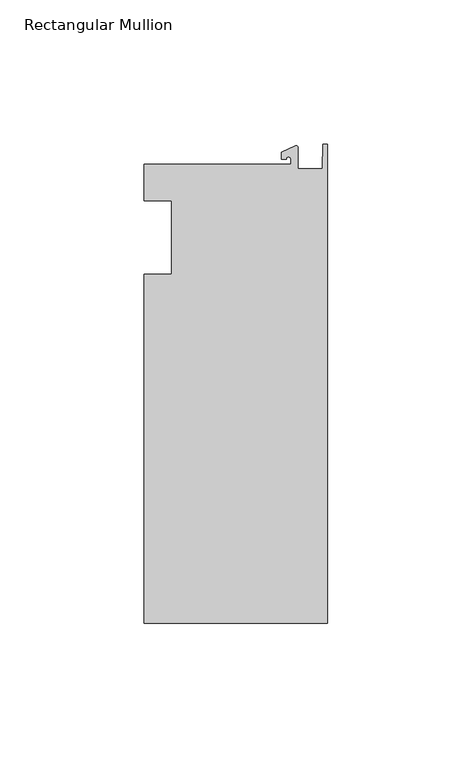
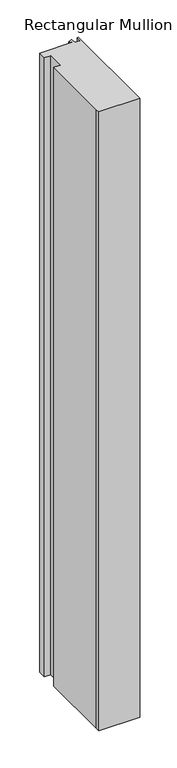
"""IFC4 building model written with IfcOpenShell, lengths in millimetres: member geometry, Rectangular Mullion."""

from ifc_helpers import new_model, si_unit, point, frame, frame_2d, origin, place, context, project, spatial, polyline, circle_curve, trimmed, segment, composite_curve, outline, extrude, source, transform, mapped, element, save


def rectangular_mullion_6983e8a3(model_context):
    return source(origin(), model_context, "Body", "SweptSolid", [
        extrude(outline(composite_curve([segment(polyline([(-12.6979967, 25.4849312), (-12.6979967, 27.2067741)]), True, "CONTINUOUS"), segment(trimmed(circle_curve(frame_2d((-13.4917467, 27.2067741)), 0.79375), [point((-12.6979967, 27.2067741))], [point((-14.2854967, 27.2067741))], True, "CARTESIAN"), True, "CONTINUOUS"), segment(polyline([(-14.2854967, 27.2067741), (-15.8729967, 27.2067741), (-15.8729967, 29.5689734), (-11.0330867, 31.8258605)]), True, "CONTINUOUS"), segment(trimmed(circle_curve(frame_2d((-10.8183967, 31.3654561)), 0.508), [point((-11.0330867, 31.8258605))], [point((-10.3103967, 31.3654561))], False, "CARTESIAN"), True, "CONTINUOUS"), segment(polyline([(-10.3103967, 31.3654561), (-10.3103967, 23.9227662), (-1.7144124, 23.9227662), (-1.5658966, 32.288874), (0.0, 32.288874), (0.0, -133.4428688), (-63.5, -133.4428688), (-63.5, -125.6958688), (-63.5, -12.7), (-53.975, -12.7), (-53.975, 12.7), (-63.5, 12.7), (-63.5, 25.4849312), (-12.6979967, 25.4849312)]), True, "CONTINUOUS")], self_intersect=False)), frame((0.0, 0.0, -1016.0), z_axis=(0.0, 0.0, 1.0), x_axis=(1.0, 0.0, 0.0)), (0.0, 0.0, 1.0), 1016.0),
    ])


if __name__ == "__main__":
    model = new_model("IFC4")
    model_context = context("Model", 3, world=origin())
    ifc_project = project(units=[si_unit("LENGTHUNIT", "METRE", prefix="MILLI")], contexts=[model_context])
    site = spatial("IfcSite", under=ifc_project)
    building = spatial("IfcBuilding", under=site)
    placement = place(None, origin())
    rectangular_mullion_shape = rectangular_mullion_6983e8a3(model_context)
    element("IfcMember", 1, ObjectType="Rectangular Mullion", at=placement, inside=building, context=model_context, shape_type="MappedRepresentation", body=[
        mapped(rectangular_mullion_shape, transform((0.0, 0.0, 0.0), x_axis=(1.0, 0.0, 0.0), y_axis=(0.0, 1.0, 0.0), z_axis=(0.0, 0.0, 1.0))),
    ])
    save(model, "model.ifc")
